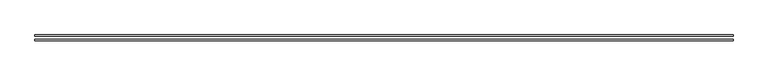
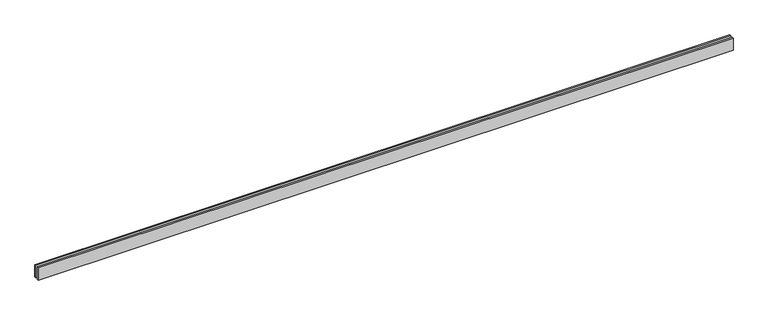
"""IFC4 building model written with IfcOpenShell, lengths in millimetres: proxy geometry."""

from ifc_helpers import new_model, si_unit, origin, origin_with_axes, place, context, project, spatial, polyline, outline, extrude, source, transform, mapped, element, save


def generic_models_0bf93f80(model_context):
    return source(origin(), model_context, "Body", "SweptSolid", [
        extrude(outline(polyline([(13424.2640687, 25.0), (0.0, 25.0), (0.0, 55.0), (13424.2640687, 55.0), (13424.2640687, 25.0)])), origin_with_axes(), (0.0, 0.0, 1.0), 250.0),
        extrude(outline(polyline([(13424.2640687, -55.0), (0.0, -55.0), (0.0, -25.0), (13424.2640687, -25.0), (13424.2640687, -55.0)])), origin_with_axes(), (0.0, 0.0, 1.0), 250.0),
    ])


if __name__ == "__main__":
    model = new_model("IFC4")
    model_context = context("Model", 3, world=origin())
    ifc_project = project(units=[si_unit("LENGTHUNIT", "METRE", prefix="MILLI")], contexts=[model_context])
    site = spatial("IfcSite", under=ifc_project)
    building = spatial("IfcBuilding", under=site)
    placement = place(None, origin())
    generic_models_shape = generic_models_0bf93f80(model_context)
    element("IfcBuildingElementProxy", 1, Name="Generic Models", at=placement, inside=building, context=model_context, shape_type="MappedRepresentation", body=[
        mapped(generic_models_shape, transform((0.0, 0.0, 0.0), x_axis=(1.0, 0.0, 0.0), y_axis=(0.0, 1.0, 0.0), z_axis=(0.0, 0.0, 1.0))),
    ])
    save(model, "model.ifc")
